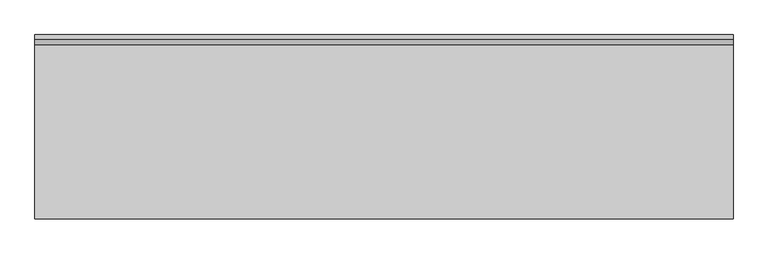
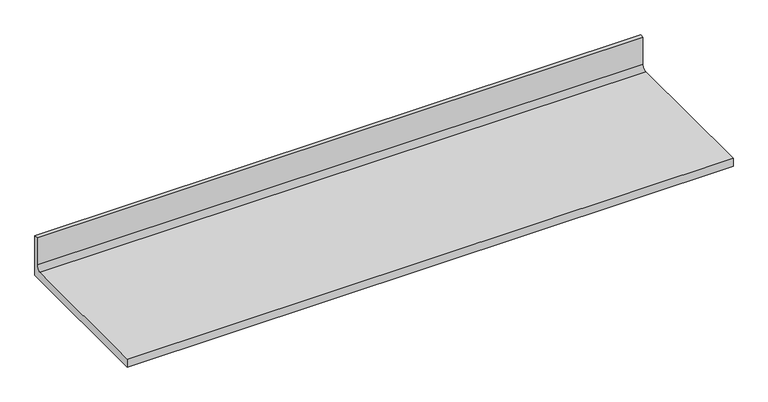
"""IFC4 building model written with IfcOpenShell, lengths in millimetres: furniture geometry."""

from ifc_helpers import new_model, si_unit, point, frame, frame_2d, origin, place, context, project, spatial, polyline, circle_curve, trimmed, segment, composite_curve, outline, extrude, source, transform, mapped, element, save


def furniture_c02719a3(model_context):
    return source(origin(), model_context, "Body", "SweptSolid", [
        extrude(outline(composite_curve([segment(polyline([(0.0, 889.0), (-482.6, 889.0), (-482.6, 914.4), (-25.8191, 914.4)]), True, "CONTINUOUS"), segment(trimmed(circle_curve(frame_2d((-25.8191, 929.1066)), 14.7066), [point((-25.8191, 914.4))], [point((-11.1125, 929.1066))], True, "CARTESIAN"), True, "CONTINUOUS"), segment(polyline([(-11.1125, 929.1066), (-11.1125, 1016.0), (0.0, 1016.0), (0.0, 889.0)]), True, "CONTINUOUS")], self_intersect=False)), frame((0.0, 0.0, 0.0), z_axis=(1.0, 0.0, 0.0), x_axis=(0.0, 1.0, 0.0)), (0.0, 0.0, 1.0), 1828.8),
    ])


if __name__ == "__main__":
    model = new_model("IFC4")
    model_context = context("Model", 3, world=origin())
    ifc_project = project(units=[si_unit("LENGTHUNIT", "METRE", prefix="MILLI")], contexts=[model_context])
    site = spatial("IfcSite", under=ifc_project)
    building = spatial("IfcBuilding", under=site)
    placement = place(None, origin())
    furniture_shape = furniture_c02719a3(model_context)
    element("IfcFurniture", 1, at=placement, inside=building, context=model_context, shape_type="MappedRepresentation", body=[
        mapped(furniture_shape, transform((0.0, 0.0, 0.0), x_axis=(1.0, 0.0, 0.0), y_axis=(0.0, 1.0, 0.0), z_axis=(0.0, 0.0, 1.0))),
    ])
    save(model, "model.ifc")
